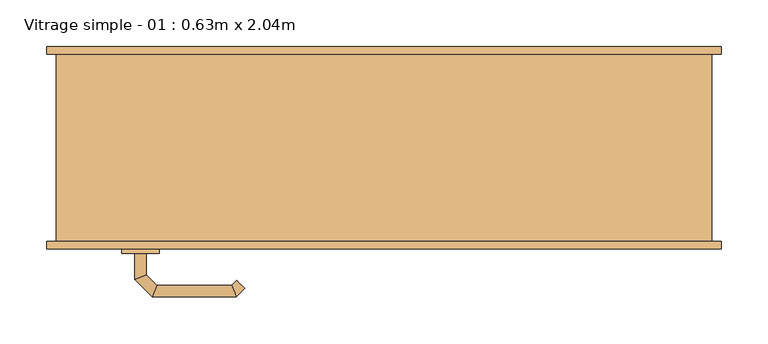
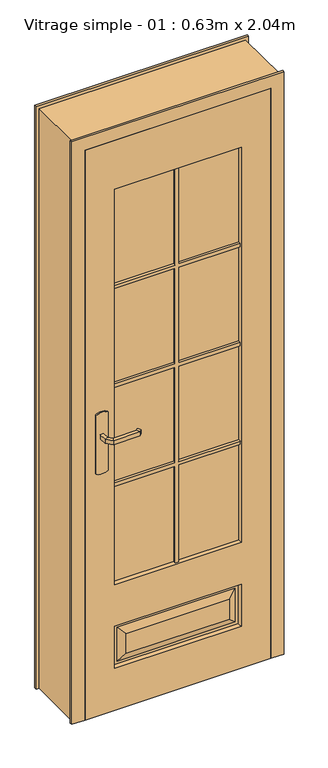
"""IFC4 building model written with IfcOpenShell, lengths in millimetres: door geometry, Vitrage simple - 01 : 0.63m x 2.04m."""

from ifc_helpers import new_model, si_unit, point, frame, frame_2d, origin, place, context, project, spatial, polyline, circle_curve, ellipse_curve, trimmed, segment, composite_curve, outline, extrude, faceted_brep, source, transform, mapped, element, save
from ifc_brep_helpers import plane_surface, cylinder_surface, advanced_brep


def vitrage_simple_01_0_63m_x_2_04m_3ba84759(model_context):
    return source(origin(), model_context, "Body", "SolidModel", [
        advanced_brep(
        [(-254.0, -63.0, 993.0), (-254.0, -63.0, 1007.0), (-266.0, -63.0, 1007.0), (-266.0, -63.0, 993.0), (-254.0, -40.5147955, 993.0), (-254.0, -40.5147955, 1007.0), (-266.0, -35.5442327, 1007.0), (-266.0, -35.5442327, 993.0), (-242.5147186, -29.0295141, 993.0), (-242.5147186, -29.0295141, 1007.0), (-247.4852814, -17.0295141, 1007.0), (-247.4852814, -17.0295141, 993.0), (-162.4394977, -29.0295141, 993.0), (-162.4394977, -29.0295141, 1007.0), (-157.468935, -17.0295141, 1007.0), (-157.468935, -17.0295141, 993.0), (-157.1257892, -34.3432226, 993.0), (-148.6405078, -25.8579412, 993.0), (-148.6405078, -25.8579412, 1007.0), (-157.1257892, -34.3432226, 1007.0)],
        [
            (0, 1),
            (1, 2, circle_curve(frame((-260.0, -63.0, 986.9542278), z_axis=(0.0, -1.0, 0.0), x_axis=(-1.0, 0.0, 0.0)), 20.9244589)),
            (2, 3),
            (3, 0, circle_curve(frame((-260.0, -63.0, 1013.0457722), z_axis=(0.0, -1.0, 0.0), x_axis=(-1.0, 0.0, 0.0)), 20.9244589)),
            (0, 4),
            (4, 5),
            (5, 1),
            (5, 6, ellipse_curve(frame((-260.0, -38.0295141, 986.9542278), z_axis=(-0.38268343236510893, -0.9238795325112789, 0.0), x_axis=(0.9238795325112789, -0.3826834323651087, 0.0)), 22.6484711, 20.9244589)),
            (6, 2),
            (6, 7),
            (7, 3),
            (7, 4, ellipse_curve(frame((-260.0, -38.0295141, 1013.0457722), z_axis=(-0.38268343236510893, -0.9238795325112789, 0.0), x_axis=(0.9238795325112789, -0.3826834323651087, 0.0)), 22.6484711, 20.9244589)),
            (4, 8),
            (8, 9),
            (9, 5),
            (9, 10, ellipse_curve(frame((-245.0, -23.0295141, 986.9542278), z_axis=(-0.9238795325112946, -0.38268343236507063, 0.0), x_axis=(0.3826834323650701, -0.9238795325112948, 0.0)), 22.6484711, 20.9244589)),
            (10, 6),
            (10, 11),
            (11, 7),
            (11, 8, ellipse_curve(frame((-245.0, -23.0295141, 1013.0457722), z_axis=(-0.9238795325112946, -0.38268343236507063, 0.0), x_axis=(0.3826834323650701, -0.9238795325112948, 0.0)), 22.6484711, 20.9244589)),
            (8, 12),
            (12, 13),
            (13, 9),
            (13, 14, ellipse_curve(frame((-159.9542163, -23.0295141, 986.9542278), z_axis=(-0.9238795325113071, 0.38268343236504027, 0.0), x_axis=(-0.38268343236504115, -0.9238795325113068, 0.0)), 22.6484711, 20.9244589)),
            (14, 10),
            (14, 15),
            (15, 11),
            (15, 12, ellipse_curve(frame((-159.9542163, -23.0295141, 1013.0457722), z_axis=(-0.9238795325113071, 0.38268343236504027, 0.0), x_axis=(-0.38268343236504115, -0.9238795325113068, 0.0)), 22.6484711, 20.9244589)),
            (16, 17, circle_curve(frame((-152.8831485, -30.1005819, 1013.0457722), z_axis=(0.7071067811866232, -0.7071067811864719, 0.0), x_axis=(0.7071067811864719, 0.7071067811866232, 0.0)), 20.9244589)),
            (17, 18),
            (18, 19, circle_curve(frame((-152.8831485, -30.1005819, 986.9542278), z_axis=(0.7071067811866232, -0.7071067811864719, 0.0), x_axis=(0.7071067811864719, 0.7071067811866232, 0.0)), 20.9244589)),
            (19, 16),
            (12, 16),
            (19, 13),
            (18, 14),
            (17, 15),
        ],
        [
            plane_surface(frame((-269.2195445, -63.0, 1000.0), z_axis=(0.0, -1.0, 0.0), x_axis=(0.0, 0.0, 1.0))),
            plane_surface(frame((-254.0, -63.0, 993.0), z_axis=(1.0, 0.0, 0.0), x_axis=(0.0, 1.0, 0.0))),
            cylinder_surface(frame((-260.0, -63.0, 986.9542278), z_axis=(0.0, -1.0, 0.0), x_axis=(-1.0, 0.0, 0.0)), 20.9244589),
            plane_surface(frame((-266.0, -63.0, 1007.0), z_axis=(-1.0, 0.0, 0.0), x_axis=(0.0, 1.0, 0.0))),
            cylinder_surface(frame((-260.0, -63.0, 1013.0457722), z_axis=(0.0, -1.0, 0.0), x_axis=(-1.0, 0.0, 0.0)), 20.9244589),
            plane_surface(frame((-254.0, -40.5147955, 993.0), z_axis=(0.7071067811865182, -0.707106781186577, 0.0), x_axis=(0.707106781186577, 0.7071067811865182, 0.0))),
            cylinder_surface(frame((-260.0, -38.0295141, 986.9542278), z_axis=(-0.7071067811865768, -0.7071067811865183, 0.0), x_axis=(-0.7071067811865183, 0.7071067811865768, 0.0)), 20.9244589),
            plane_surface(frame((-266.0, -35.5442327, 1007.0), z_axis=(-0.7071067811865184, 0.7071067811865767, 0.0), x_axis=(0.7071067811865767, 0.7071067811865184, 0.0))),
            cylinder_surface(frame((-260.0, -38.0295141, 1013.0457722), z_axis=(-0.7071067811865768, -0.7071067811865183, 0.0), x_axis=(-0.7071067811865183, 0.7071067811865768, 0.0)), 20.9244589),
            plane_surface(frame((-242.5147186, -29.0295141, 993.0), z_axis=(0.0, -1.0, 0.0), x_axis=(1.0, 0.0, 0.0))),
            cylinder_surface(frame((-245.0, -23.0295141, 986.9542278), z_axis=(-1.0, 0.0, 0.0), x_axis=(0.0, 1.0, 0.0)), 20.9244589),
            plane_surface(frame((-247.4852814, -17.0295141, 1007.0), z_axis=(0.0, 1.0, 0.0), x_axis=(1.0, 0.0, 0.0))),
            cylinder_surface(frame((-245.0, -23.0295141, 1013.0457722), z_axis=(-1.0, 0.0, 0.0), x_axis=(0.0, 1.0, 0.0)), 20.9244589),
            plane_surface(frame((-152.8831485, -30.1005819, 990.7804555), z_axis=(0.7071067811866233, -0.7071067811864719, 0.0), x_axis=(0.7071067811864719, 0.7071067811866233, 0.0))),
            plane_surface(frame((-162.4394977, -29.0295141, 993.0), z_axis=(-0.7071067811864713, -0.7071067811866238, 0.0), x_axis=(0.7071067811866238, -0.7071067811864713, 0.0))),
            cylinder_surface(frame((-159.9542163, -23.0295141, 986.9542278), z_axis=(-0.7071067811866232, 0.7071067811864719, 0.0), x_axis=(0.7071067811864719, 0.7071067811866232, 0.0)), 20.9244589),
            plane_surface(frame((-157.468935, -17.0295141, 1007.0), z_axis=(0.7071067811864721, 0.707106781186623, 0.0), x_axis=(0.707106781186623, -0.7071067811864721, 0.0))),
            cylinder_surface(frame((-159.9542163, -23.0295141, 1013.0457722), z_axis=(-0.7071067811866232, 0.7071067811864719, 0.0), x_axis=(0.7071067811864719, 0.7071067811866232, 0.0)), 20.9244589),
        ],
        [
            (0, [[1, 2, 3, 4]]),
            (1, [[-1, 5, 6, 7]]),
            (2, [[-2, -7, 8, 9]]),
            (3, [[-3, -9, 10, 11]]),
            (4, [[-4, -11, 12, -5]]),
            (5, [[-6, 13, 14, 15]]),
            (6, [[-8, -15, 16, 17]]),
            (7, [[-10, -17, 18, 19]]),
            (8, [[-12, -19, 20, -13]]),
            (9, [[-14, 21, 22, 23]]),
            (10, [[-16, -23, 24, 25]]),
            (11, [[-18, -25, 26, 27]]),
            (12, [[-20, -27, 28, -21]]),
            (13, [[29, 30, 31, 32]]),
            (14, [[-22, 33, -32, 34]]),
            (15, [[-24, -34, -31, 35]]),
            (16, [[-26, -35, -30, 36]]),
            (17, [[-28, -36, -29, -33]]),
        ],
    ),
        advanced_brep(
        [(-266.0, -113.0, 1007.0), (-254.0, -113.0, 1007.0), (-254.0, -113.0, 993.0), (-266.0, -113.0, 993.0), (-266.0, -140.6509507, 1007.0), (-254.0, -135.680388, 1007.0), (-254.0, -135.680388, 993.0), (-266.0, -140.6509507, 993.0), (-247.62279, -159.0281607, 1007.0), (-242.6522273, -147.0281607, 1007.0), (-242.6522273, -147.0281607, 993.0), (-247.62279, -159.0281607, 993.0), (-157.496078, -159.0281607, 1007.0), (-162.4666408, -147.0281607, 1007.0), (-162.4666408, -147.0281607, 993.0), (-157.496078, -159.0281607, 993.0), (-148.6676509, -150.1997336, 1007.0), (-148.6676509, -150.1997336, 993.0), (-157.1529323, -141.7144522, 993.0), (-157.1529323, -141.7144522, 1007.0)],
        [
            (0, 1, circle_curve(frame((-260.0, -113.0, 986.9542278), z_axis=(0.0, 1.0, 0.0), x_axis=(1.0, 0.0, 0.0)), 20.9244589)),
            (1, 2),
            (2, 3, circle_curve(frame((-260.0, -113.0, 1013.0457722), z_axis=(0.0, 1.0, 0.0), x_axis=(1.0, 0.0, 0.0)), 20.9244589)),
            (3, 0),
            (0, 4),
            (4, 5, ellipse_curve(frame((-260.0, -138.1656693, 986.9542278), z_axis=(-0.3826834323651093, 0.9238795325112789, 0.0), x_axis=(0.9238795325112791, 0.38268343236510843, 0.0)), 22.6484711, 20.9244589)),
            (5, 1),
            (5, 6),
            (6, 2),
            (6, 7, ellipse_curve(frame((-260.0, -138.1656693, 1013.0457722), z_axis=(-0.3826834323651093, 0.9238795325112789, 0.0), x_axis=(0.9238795325112791, 0.38268343236510843, 0.0)), 22.6484711, 20.9244589)),
            (7, 3),
            (7, 4),
            (4, 8),
            (8, 9, ellipse_curve(frame((-245.1375086, -153.0281607, 986.9542278), z_axis=(-0.9238795325112947, 0.38268343236507024, 0.0), x_axis=(0.3826834323650698, 0.9238795325112951, 0.0)), 22.6484711, 20.9244589)),
            (9, 5),
            (9, 10),
            (10, 6),
            (10, 11, ellipse_curve(frame((-245.1375086, -153.0281607, 1013.0457722), z_axis=(-0.9238795325112947, 0.38268343236507024, 0.0), x_axis=(0.3826834323650698, 0.9238795325112951, 0.0)), 22.6484711, 20.9244589)),
            (11, 7),
            (11, 8),
            (8, 12),
            (12, 13, ellipse_curve(frame((-159.9813594, -153.0281607, 986.9542278), z_axis=(-0.9238795325112743, -0.3826834323651198, 0.0), x_axis=(-0.38268343236511987, 0.9238795325112744, 0.0)), 22.6484711, 20.9244589)),
            (13, 9),
            (13, 14),
            (14, 10),
            (14, 15, ellipse_curve(frame((-159.9813594, -153.0281607, 1013.0457722), z_axis=(-0.9238795325112743, -0.3826834323651198, 0.0), x_axis=(-0.38268343236511987, 0.9238795325112744, 0.0)), 22.6484711, 20.9244589)),
            (15, 11),
            (15, 12),
            (16, 17),
            (17, 18, circle_curve(frame((-152.9102916, -145.9570929, 1013.0457722), z_axis=(0.7071067811865017, 0.7071067811865933, 0.0), x_axis=(-0.7071067811865933, 0.7071067811865017, 0.0)), 20.9244589)),
            (18, 19),
            (19, 16, circle_curve(frame((-152.9102916, -145.9570929, 986.9542278), z_axis=(0.7071067811865017, 0.7071067811865933, 0.0), x_axis=(-0.7071067811865933, 0.7071067811865017, 0.0)), 20.9244589)),
            (12, 16),
            (19, 13),
            (18, 14),
            (17, 15),
        ],
        [
            plane_surface(frame((-269.2195445, -113.0, 1000.0), z_axis=(0.0, 1.0, 0.0), x_axis=(0.0, 0.0, -1.0))),
            cylinder_surface(frame((-260.0, -113.0, 986.9542278), z_axis=(0.0, 1.0, 0.0), x_axis=(1.0, 0.0, 0.0)), 20.9244589),
            plane_surface(frame((-254.0, -113.0, 1007.0), z_axis=(1.0, 0.0, 0.0), x_axis=(0.0, -1.0, 0.0))),
            cylinder_surface(frame((-260.0, -113.0, 1013.0457722), z_axis=(0.0, 1.0, 0.0), x_axis=(1.0, 0.0, 0.0)), 20.9244589),
            plane_surface(frame((-266.0, -113.0, 993.0), z_axis=(-1.0, 0.0, 0.0), x_axis=(0.0, -1.0, 0.0))),
            cylinder_surface(frame((-260.0, -138.1656693, 986.9542278), z_axis=(-0.7071067811865772, 0.7071067811865177, 0.0), x_axis=(0.7071067811865177, 0.7071067811865772, 0.0)), 20.9244589),
            plane_surface(frame((-254.0, -135.680388, 1007.0), z_axis=(0.707106781186518, 0.7071067811865771, 0.0), x_axis=(0.7071067811865771, -0.707106781186518, 0.0))),
            cylinder_surface(frame((-260.0, -138.1656693, 1013.0457722), z_axis=(-0.7071067811865772, 0.7071067811865177, 0.0), x_axis=(0.7071067811865177, 0.7071067811865772, 0.0)), 20.9244589),
            plane_surface(frame((-266.0, -140.6509507, 993.0), z_axis=(-0.7071067811865179, -0.7071067811865772, 0.0), x_axis=(0.7071067811865772, -0.7071067811865179, 0.0))),
            cylinder_surface(frame((-245.1375086, -153.0281607, 986.9542278), z_axis=(-1.0, 0.0, 0.0), x_axis=(0.0, 1.0, 0.0)), 20.9244589),
            plane_surface(frame((-242.6522273, -147.0281607, 1007.0), z_axis=(0.0, 1.0, 0.0), x_axis=(1.0, 0.0, 0.0))),
            cylinder_surface(frame((-245.1375086, -153.0281607, 1013.0457722), z_axis=(-1.0, 0.0, 0.0), x_axis=(0.0, 1.0, 0.0)), 20.9244589),
            plane_surface(frame((-247.62279, -159.0281607, 993.0), z_axis=(0.0, -1.0, 0.0), x_axis=(1.0, 0.0, 0.0))),
            plane_surface(frame((-152.9102916, -145.9570929, 1009.2195445), z_axis=(0.7071067811865019, 0.7071067811865932, 0.0), x_axis=(0.7071067811865932, -0.7071067811865019, 0.0))),
            cylinder_surface(frame((-159.9813594, -153.0281607, 986.9542278), z_axis=(-0.7071067811865017, -0.7071067811865933, 0.0), x_axis=(-0.7071067811865933, 0.7071067811865017, 0.0)), 20.9244589),
            plane_surface(frame((-162.4666408, -147.0281607, 1007.0), z_axis=(-0.7071067811865925, 0.7071067811865025, 0.0), x_axis=(0.7071067811865025, 0.7071067811865925, 0.0))),
            cylinder_surface(frame((-159.9813594, -153.0281607, 1013.0457722), z_axis=(-0.7071067811865017, -0.7071067811865933, 0.0), x_axis=(-0.7071067811865933, 0.7071067811865017, 0.0)), 20.9244589),
            plane_surface(frame((-157.496078, -159.0281607, 993.0), z_axis=(0.7071067811865936, -0.7071067811865015, 0.0), x_axis=(0.7071067811865015, 0.7071067811865936, 0.0))),
        ],
        [
            (0, [[1, 2, 3, 4]]),
            (1, [[-1, 5, 6, 7]]),
            (2, [[-2, -7, 8, 9]]),
            (3, [[-3, -9, 10, 11]]),
            (4, [[-4, -11, 12, -5]]),
            (5, [[-6, 13, 14, 15]]),
            (6, [[-8, -15, 16, 17]]),
            (7, [[-10, -17, 18, 19]]),
            (8, [[-12, -19, 20, -13]]),
            (9, [[-14, 21, 22, 23]]),
            (10, [[-16, -23, 24, 25]]),
            (11, [[-18, -25, 26, 27]]),
            (12, [[-20, -27, 28, -21]]),
            (13, [[29, 30, 31, 32]]),
            (14, [[-22, 33, -32, 34]]),
            (15, [[-24, -34, -31, 35]]),
            (16, [[-26, -35, -30, 36]]),
            (17, [[-28, -36, -29, -33]]),
        ],
    ),
        extrude(outline(composite_curve([segment(trimmed(circle_curve(frame_2d((1045.3589838, -260.0)), 40.0), [point((1080.0, -240.0))], [point((1080.0, -280.0))], False, "CARTESIAN"), True, "CONTINUOUS"), segment(polyline([(1080.0, -280.0), (870.0, -280.0)]), True, "CONTINUOUS"), segment(trimmed(circle_curve(frame_2d((904.6410162, -260.0)), 40.0), [point((870.0, -280.0))], [point((870.0, -240.0))], False, "CARTESIAN"), True, "CONTINUOUS"), segment(polyline([(870.0, -240.0), (1080.0, -240.0)]), True, "CONTINUOUS")], self_intersect=False)), frame((0.0, -68.0, 0.0), z_axis=(0.0, 1.0, 0.0), x_axis=(0.0, 0.0, 1.0)), (0.0, 0.0, 1.0), 5.0),
        extrude(outline(composite_curve([segment(trimmed(circle_curve(frame_2d((904.6410162, -260.0)), 40.0), [point((870.0, -280.0))], [point((870.0, -240.0))], False, "CARTESIAN"), True, "CONTINUOUS"), segment(polyline([(870.0, -240.0), (1080.0, -240.0)]), True, "CONTINUOUS"), segment(trimmed(circle_curve(frame_2d((1045.3589838, -260.0)), 40.0), [point((1080.0, -240.0))], [point((1080.0, -280.0))], False, "CARTESIAN"), True, "CONTINUOUS"), segment(polyline([(1080.0, -280.0), (870.0, -280.0)]), True, "CONTINUOUS")], self_intersect=False)), frame((0.0, -113.0, 0.0), z_axis=(0.0, 1.0, 0.0), x_axis=(0.0, 0.0, 1.0)), (0.0, 0.0, 1.0), 5.0),
        faceted_brep([(-350.0, -100.0, 0.0), (-350.0, 100.0, 0.0), (-360.0, 100.0, 0.0), (-360.0, 108.0, 0.0), (-300.0, 108.0, 0.0), (-300.0, -68.0, 0.0), (-315.0, -68.0, 0.0), (-315.0, -108.0, 0.0), (-360.0, -108.0, 0.0), (-360.0, -100.0, 0.0), (-350.0, -100.0, 2075.0), (-350.0, 100.0, 2075.0), (350.0, 100.0, 2075.0), (350.0, 100.0, 0.0), (360.0, 100.0, 0.0), (360.0, 100.0, 2085.0), (-360.0, 100.0, 2085.0), (-360.0, 108.0, 2085.0), (360.0, 108.0, 2085.0), (360.0, 108.0, 0.0), (300.0, 108.0, 0.0), (300.0, 108.0, 2025.0), (-300.0, 108.0, 2025.0), (-300.0, -68.0, 2025.0), (300.0, -68.0, 2025.0), (300.0, -68.0, 0.0), (315.0, -68.0, 0.0), (315.0, -68.0, 2040.0), (-315.0, -68.0, 2040.0), (-315.0, -108.0, 2040.0), (315.0, -108.0, 2040.0), (315.0, -108.0, 0.0), (360.0, -108.0, 0.0), (360.0, -108.0, 2085.0), (-360.0, -108.0, 2085.0), (-360.0, -100.0, 2085.0), (360.0, -100.0, 2085.0), (360.0, -100.0, 0.0), (350.0, -100.0, 0.0), (350.0, -100.0, 2075.0)], [[[0, 1, 2, 3, 4, 5, 6, 7, 8, 9]], [[1, 0, 10, 11]], [[2, 1, 11, 12, 13, 14, 15, 16]], [[3, 2, 16, 17]], [[4, 3, 17, 18, 19, 20, 21, 22]], [[5, 4, 22, 23]], [[6, 5, 23, 24, 25, 26, 27, 28]], [[7, 6, 28, 29]], [[8, 7, 29, 30, 31, 32, 33, 34]], [[9, 8, 34, 35]], [[0, 9, 35, 36, 37, 38, 39, 10]], [[13, 12, 39, 38]], [[14, 13, 38, 37, 32, 31, 26, 25, 20, 19]], [[15, 14, 19, 18]], [[21, 20, 25, 24]], [[27, 26, 31, 30]], [[33, 32, 37, 36]], [[11, 10, 39, 12]], [[16, 15, 18, 17]], [[22, 21, 24, 23]], [[28, 27, 30, 29]], [[34, 33, 36, 35]]]),
        extrude(outline(polyline([(215.0, -93.0), (-215.0, -93.0), (-215.0, -83.0), (215.0, -83.0), (215.0, -93.0)])), frame((0.0, 0.0, 450.0), z_axis=(0.0, 0.0, 1.0), x_axis=(1.0, 0.0, 0.0)), (0.0, 0.0, 1.0), 1415.0),
        faceted_brep([(-315.0, -108.0, 2040.0), (-315.0, -108.0, 0.0), (315.0, -108.0, 0.0), (315.0, -108.0, 2040.0), (215.0, -108.0, 1865.0), (215.0, -108.0, 450.0), (-215.0, -108.0, 450.0), (-215.0, -108.0, 1865.0), (215.0, -108.0, 300.0), (215.0, -108.0, 150.0), (-215.0, -108.0, 150.0), (-215.0, -108.0, 300.0), (175.0, -108.0, 190.0), (175.0, -108.0, 260.0), (-175.0, -108.0, 260.0), (-175.0, -108.0, 190.0), (-315.0, -68.0, 2040.0), (315.0, -68.0, 2040.0), (315.0, -68.0, 0.0), (-315.0, -68.0, 0.0), (215.0, -68.0, 1865.0), (-215.0, -68.0, 1865.0), (-215.0, -68.0, 450.0), (215.0, -68.0, 450.0), (-215.0, -68.0, 300.0), (-215.0, -68.0, 150.0), (215.0, -68.0, 150.0), (215.0, -68.0, 300.0), (-175.0, -68.0, 190.0), (-175.0, -68.0, 260.0), (175.0, -68.0, 260.0), (175.0, -68.0, 190.0), (200.0, -98.0, 165.0), (200.0, -98.0, 285.0), (210.0, -98.0, 295.0), (210.0, -98.0, 155.0), (-200.0, -98.0, 165.0), (-210.0, -98.0, 155.0), (-200.0, -98.0, 285.0), (-210.0, -98.0, 295.0), (-200.0, -78.0, 165.0), (-200.0, -78.0, 285.0), (-210.0, -78.0, 295.0), (-210.0, -78.0, 155.0), (200.0, -78.0, 165.0), (210.0, -78.0, 155.0), (200.0, -78.0, 285.0), (210.0, -78.0, 295.0)], [[[0, 1, 2, 3], [4, 5, 6, 7], [8, 9, 10, 11]], [[12, 13, 14, 15]], [[16, 17, 18, 19], [20, 21, 22, 23], [24, 25, 26, 27]], [[28, 29, 30, 31]], [[1, 0, 16, 19]], [[2, 1, 19, 18]], [[3, 2, 18, 17]], [[0, 3, 17, 16]], [[5, 4, 20, 23]], [[6, 5, 23, 22]], [[7, 6, 22, 21]], [[4, 7, 21, 20]], [[12, 32, 33, 13]], [[34, 35, 9, 8]], [[32, 12, 15, 36]], [[9, 35, 37, 10]], [[36, 15, 14, 38]], [[10, 37, 39, 11]], [[35, 34, 39, 37], [33, 32, 36, 38]], [[13, 33, 38, 14]], [[34, 8, 11, 39]], [[28, 40, 41, 29]], [[42, 43, 25, 24]], [[40, 28, 31, 44]], [[25, 43, 45, 26]], [[44, 31, 30, 46]], [[26, 45, 47, 27]], [[43, 42, 47, 45], [41, 40, 44, 46]], [[29, 41, 46, 30]], [[42, 24, 27, 47]]]),
        extrude(outline(polyline([(450.0, -6.0), (450.0, 6.0), (797.75, 6.0), (797.75, 215.0), (809.75, 215.0), (809.75, 6.0), (1151.5, 6.0), (1151.5, 215.0), (1163.5, 215.0), (1163.5, 6.0), (1505.25, 6.0), (1505.25, 215.0), (1517.25, 215.0), (1517.25, 6.0), (1865.0, 6.0), (1865.0, -6.0), (1517.25, -6.0), (1517.25, -215.0), (1505.25, -215.0), (1505.25, -6.0), (1163.5, -6.0), (1163.5, -215.0), (1151.5, -215.0), (1151.5, -6.0), (809.75, -6.0), (809.75, -215.0), (797.75, -215.0), (797.75, -6.0), (450.0, -6.0)])), frame((0.0, -103.0, 0.0), z_axis=(0.0, 1.0, 0.0), x_axis=(0.0, 0.0, 1.0)), (0.0, 0.0, 1.0), 10.0),
        extrude(outline(polyline([(450.0, -6.0), (450.0, 6.0), (797.75, 6.0), (797.75, 215.0), (809.75, 215.0), (809.75, 6.0), (1151.5, 6.0), (1151.5, 215.0), (1163.5, 215.0), (1163.5, 6.0), (1505.25, 6.0), (1505.25, 215.0), (1517.25, 215.0), (1517.25, 6.0), (1865.0, 6.0), (1865.0, -6.0), (1517.25, -6.0), (1517.25, -215.0), (1505.25, -215.0), (1505.25, -6.0), (1163.5, -6.0), (1163.5, -215.0), (1151.5, -215.0), (1151.5, -6.0), (809.75, -6.0), (809.75, -215.0), (797.75, -215.0), (797.75, -6.0), (450.0, -6.0)])), frame((0.0, -83.0, 0.0), z_axis=(0.0, 1.0, 0.0), x_axis=(0.0, 0.0, 1.0)), (0.0, 0.0, 1.0), 10.0),
    ])


if __name__ == "__main__":
    model = new_model("IFC4")
    model_context = context("Model", 3, world=origin())
    ifc_project = project(units=[si_unit("LENGTHUNIT", "METRE", prefix="MILLI")], contexts=[model_context])
    site = spatial("IfcSite", under=ifc_project)
    building = spatial("IfcBuilding", under=site)
    placement = place(None, origin())
    vitrage_simple_01_0_63m_x_2_04m_shape = vitrage_simple_01_0_63m_x_2_04m_3ba84759(model_context)
    element("IfcDoor", 1, ObjectType="Vitrage simple - 01 : 0.63m x 2.04m", at=placement, inside=building, context=model_context, shape_type="MappedRepresentation", body=[
        mapped(vitrage_simple_01_0_63m_x_2_04m_shape, transform((0.0, 0.0, 0.0), x_axis=(1.0, 0.0, 0.0), y_axis=(0.0, 1.0, 0.0), z_axis=(0.0, 0.0, 1.0))),
    ])
    save(model, "model.ifc")
